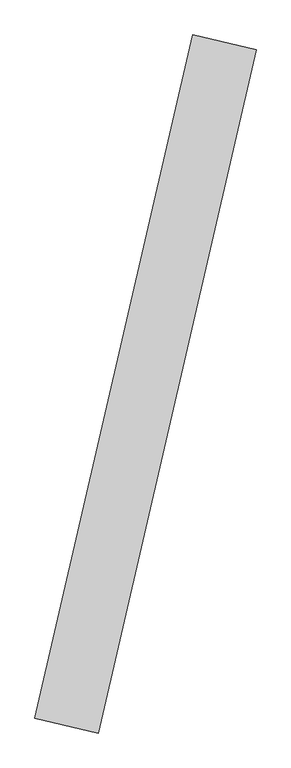
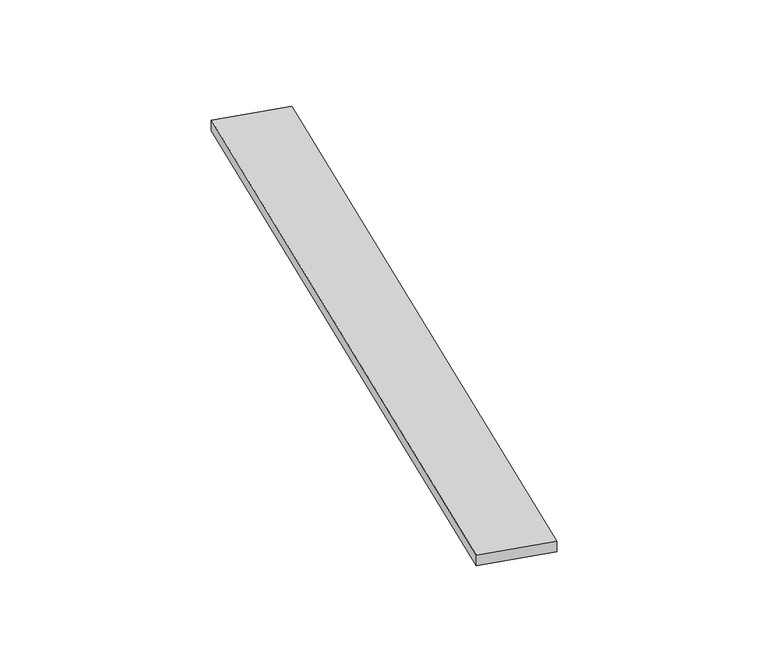
"""IFC4 building model written with IfcOpenShell, lengths in millimetres: ramp geometry."""

from ifc_helpers import new_model, si_unit, frame, origin, place, context, project, spatial, polyline, outline, extrude, source, transform, mapped, element, save


def ramp_f013e1d3(model_context):
    return source(origin(), model_context, "Body", "SweptSolid", [
        extrude(outline(polyline([(900.0, -10800.0), (0.0, 0.0), (150.5199322, 0.0), (1050.5199322, -10800.0), (900.0, -10800.0)])), frame((20559.8038234, 1046.2134795, 0.0), z_axis=(-0.9743700647852349, 0.22495105434386653, 0.0), x_axis=(0.0, 0.0, -1.0)), (0.0, 0.0, 1.0), 1000.0),
    ])


if __name__ == "__main__":
    model = new_model("IFC4")
    model_context = context("Model", 3, world=origin())
    ifc_project = project(units=[si_unit("LENGTHUNIT", "METRE", prefix="MILLI")], contexts=[model_context])
    site = spatial("IfcSite", under=ifc_project)
    building = spatial("IfcBuilding", under=site)
    placement = place(None, origin())
    ramp_shape = ramp_f013e1d3(model_context)
    element("IfcRamp", 1, at=placement, inside=building, context=model_context, shape_type="MappedRepresentation", body=[
        mapped(ramp_shape, transform((0.0, 0.0, 0.0), x_axis=(1.0, 0.0, 0.0), y_axis=(0.0, 1.0, 0.0), z_axis=(0.0, 0.0, 1.0))),
    ])
    save(model, "model.ifc")
